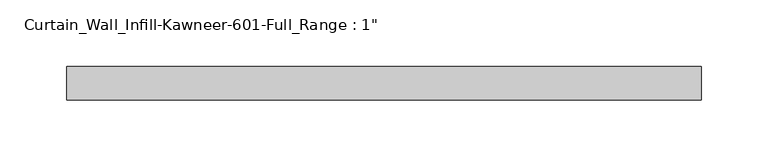
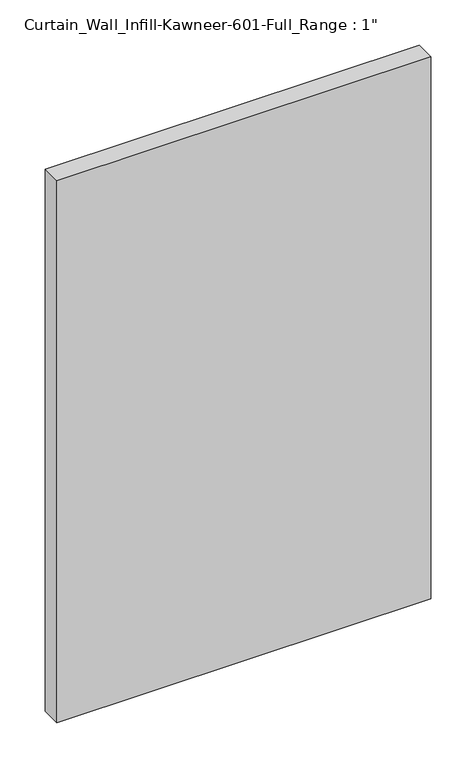
"""IFC4 building model written with IfcOpenShell, lengths in millimetres: plate geometry."""

from ifc_helpers import new_model, si_unit, origin, origin_with_axes, place, context, project, spatial, polyline, outline, extrude, source, transform, mapped, element, save


def plate_098cc59b(model_context):
    return source(origin(), model_context, "Body", "SweptSolid", [
        extrude(outline(polyline([(-238.125, -12.7), (-238.125, 12.7), (238.125, 12.7), (238.125, -12.7), (-238.125, -12.7)])), origin_with_axes(), (0.0, 0.0, 1.0), 730.25),
    ])


if __name__ == "__main__":
    model = new_model("IFC4")
    model_context = context("Model", 3, world=origin())
    ifc_project = project(units=[si_unit("LENGTHUNIT", "METRE", prefix="MILLI")], contexts=[model_context])
    site = spatial("IfcSite", under=ifc_project)
    building = spatial("IfcBuilding", under=site)
    placement = place(None, origin())
    plate_shape = plate_098cc59b(model_context)
    element("IfcPlate", 1, ObjectType="Curtain_Wall_Infill-Kawneer-601-Full_Range : 1\"", at=placement, inside=building, context=model_context, shape_type="MappedRepresentation", body=[
        mapped(plate_shape, transform((0.0, 0.0, 0.0), x_axis=(1.0, 0.0, 0.0), y_axis=(0.0, 1.0, 0.0), z_axis=(0.0, 0.0, 1.0))),
    ])
    save(model, "model.ifc")
